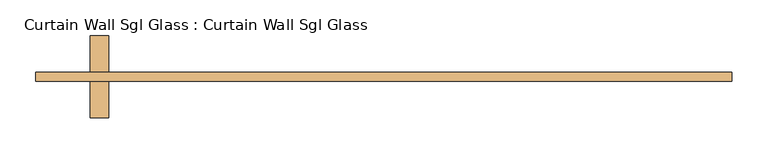
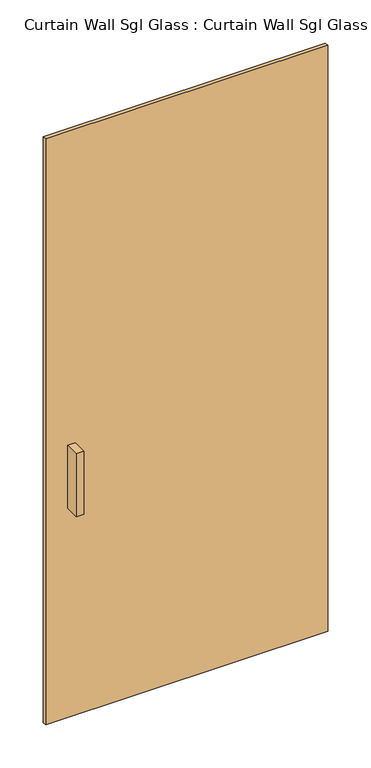
"""IFC4 building model written with IfcOpenShell, lengths in millimetres: door geometry, Curtain Wall Sgl Glass : Curtain Wall Sgl Glass."""

from ifc_helpers import new_model, si_unit, frame, origin, origin_with_axes, place, context, project, spatial, polyline, outline, extrude, source, transform, mapped, element, save


def curtain_wall_sgl_glass_curtain_wall_sgl_glass_a2deeac9(model_context):
    return source(origin(), model_context, "Body", "SweptSolid", [
        extrude(outline(polyline([(-384.175, -12.7), (-409.575, -12.7), (-409.575, 38.1), (-384.175, 38.1), (-384.175, -12.7)])), frame((0.0, 0.0, 762.0), z_axis=(0.0, 0.0, 1.0), x_axis=(1.0, 0.0, 0.0)), (0.0, 0.0, 1.0), 228.6),
        extrude(outline(polyline([(-409.575, 101.6), (-384.175, 101.6), (-384.175, 50.8), (-409.575, 50.8), (-409.575, 101.6)])), frame((0.0, 0.0, 762.0), z_axis=(0.0, 0.0, 1.0), x_axis=(1.0, 0.0, 0.0)), (0.0, 0.0, 1.0), 228.6),
        extrude(outline(polyline([(485.775, 50.8), (485.775, 38.1), (-485.775, 38.1), (-485.775, 50.8), (485.775, 50.8)])), origin_with_axes(), (0.0, 0.0, 1.0), 2133.6),
    ])


if __name__ == "__main__":
    model = new_model("IFC4")
    model_context = context("Model", 3, world=origin())
    ifc_project = project(units=[si_unit("LENGTHUNIT", "METRE", prefix="MILLI")], contexts=[model_context])
    site = spatial("IfcSite", under=ifc_project)
    building = spatial("IfcBuilding", under=site)
    placement = place(None, origin())
    curtain_wall_sgl_glass_curtain_wall_sgl_glass_shape = curtain_wall_sgl_glass_curtain_wall_sgl_glass_a2deeac9(model_context)
    element("IfcDoor", 1, ObjectType="Curtain Wall Sgl Glass : Curtain Wall Sgl Glass", at=placement, inside=building, context=model_context, shape_type="MappedRepresentation", body=[
        mapped(curtain_wall_sgl_glass_curtain_wall_sgl_glass_shape, transform((0.0, 0.0, 0.0), x_axis=(1.0, 0.0, 0.0), y_axis=(0.0, 1.0, 0.0), z_axis=(0.0, 0.0, 1.0))),
    ])
    save(model, "model.ifc")
